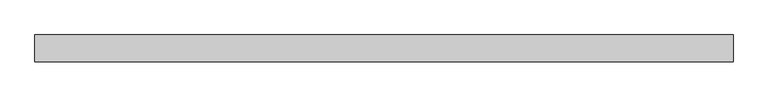
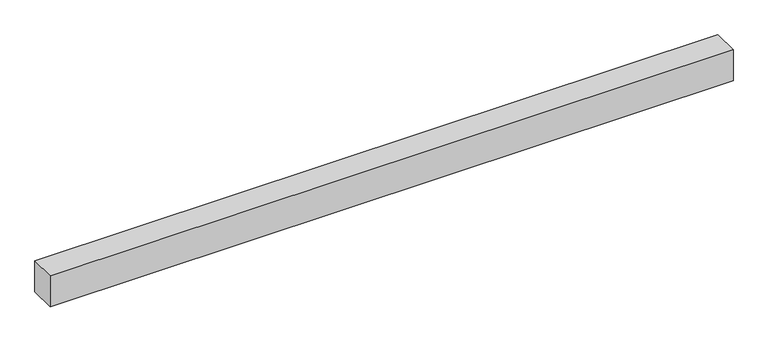
"""IFC4 building model written with IfcOpenShell, lengths in millimetres: proxy geometry."""

from ifc_helpers import new_model, si_unit, frame, origin, place, context, project, spatial, polyline, outline, extrude, source, transform, mapped, element, save


def generic_models_64e4c5d6(model_context):
    return source(origin(), model_context, "Body", "SweptSolid", [
        extrude(outline(polyline([(40.0, 0.0), (-40.0, 0.0), (-40.0, 2081.9040124), (40.0, 2081.9040124), (40.0, 0.0)])), frame((2081.9040124, 0.0, 0.0), z_axis=(0.0, -1.9783474858313244e-12, 1.0), x_axis=(0.0, 1.0, 1.9783474858313244e-12)), (0.0, 0.0, 1.0), 100.0),
    ])


if __name__ == "__main__":
    model = new_model("IFC4")
    model_context = context("Model", 3, world=origin())
    ifc_project = project(units=[si_unit("LENGTHUNIT", "METRE", prefix="MILLI")], contexts=[model_context])
    site = spatial("IfcSite", under=ifc_project)
    building = spatial("IfcBuilding", under=site)
    placement = place(None, origin())
    generic_models_shape = generic_models_64e4c5d6(model_context)
    element("IfcBuildingElementProxy", 1, Name="Generic Models", at=placement, inside=building, context=model_context, shape_type="MappedRepresentation", body=[
        mapped(generic_models_shape, transform((0.0, 0.0, 0.0), x_axis=(1.0, 0.0, 0.0), y_axis=(0.0, 1.0, 0.0), z_axis=(0.0, 0.0, 1.0))),
    ])
    save(model, "model.ifc")
